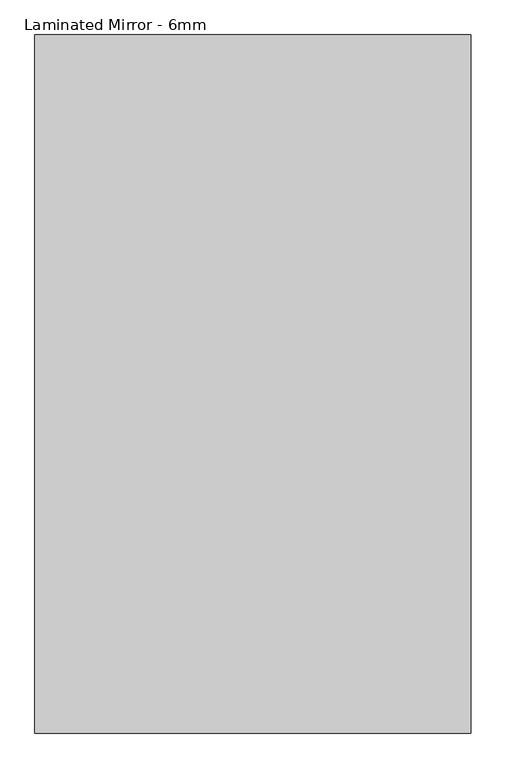
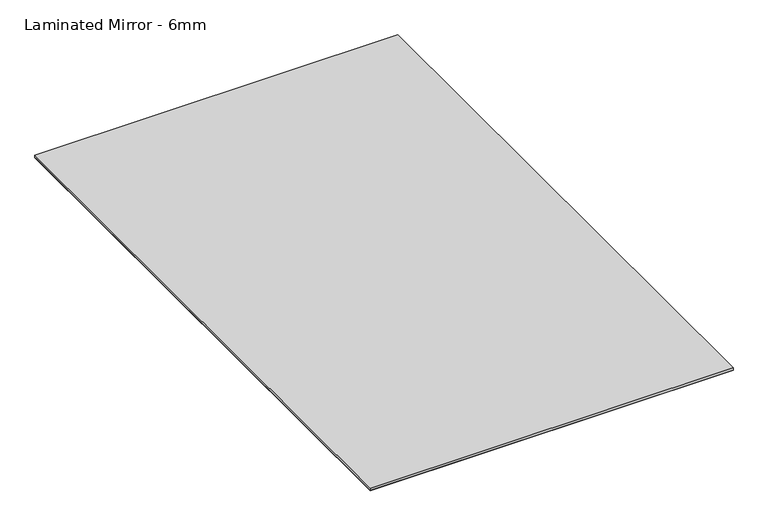
"""IFC4 building model written with IfcOpenShell, lengths in millimetres: proxy geometry, Laminated Mirror - 6mm."""

from ifc_helpers import new_model, si_unit, frame, origin, origin_with_axes, place, context, project, spatial, polyline, outline, extrude, source, transform, mapped, element, save


def laminated_mirror_6mm_75cd1fe5(model_context):
    return source(origin(), model_context, "Body", "SweptSolid", [
        extrude(outline(polyline([(762.0, -1219.2), (-762.0, -1219.2), (-762.0, 1219.2), (762.0, 1219.2), (762.0, -1219.2)])), frame((0.0, 0.0, 0.79375), z_axis=(0.0, 0.0, 1.0), x_axis=(1.0, 0.0, 0.0)), (0.0, 0.0, 1.0), 10.0210938),
        extrude(outline(polyline([(762.0, 1219.2), (762.0, -1219.2), (-762.0, -1219.2), (-762.0, 1219.2), (762.0, 1219.2)])), origin_with_axes(), (0.0, 0.0, 1.0), 0.79375),
    ])


if __name__ == "__main__":
    model = new_model("IFC4")
    model_context = context("Model", 3, world=origin())
    ifc_project = project(units=[si_unit("LENGTHUNIT", "METRE", prefix="MILLI")], contexts=[model_context])
    site = spatial("IfcSite", under=ifc_project)
    building = spatial("IfcBuilding", under=site)
    placement = place(None, origin())
    laminated_mirror_6mm_shape = laminated_mirror_6mm_75cd1fe5(model_context)
    element("IfcBuildingElementProxy", 1, Name="Laminated Mirror - 6mm", ObjectType="Laminated Mirror - 6mm", at=placement, inside=building, context=model_context, shape_type="MappedRepresentation", body=[
        mapped(laminated_mirror_6mm_shape, transform((0.0, 0.0, 0.0), x_axis=(1.0, 0.0, 0.0), y_axis=(0.0, 1.0, 0.0), z_axis=(0.0, 0.0, 1.0))),
    ])
    save(model, "model.ifc")
